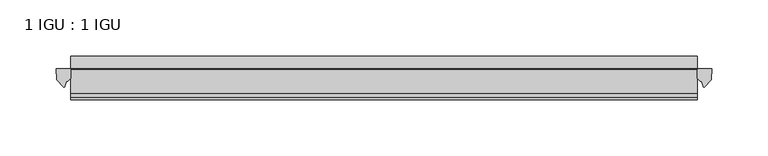
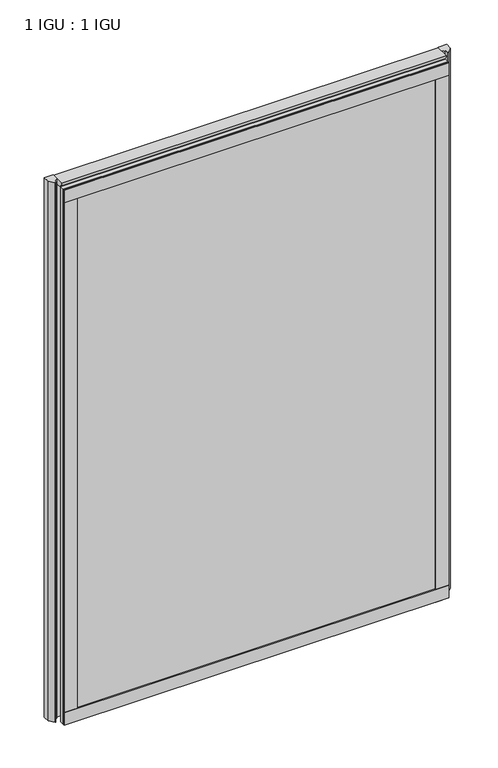
"""IFC4 building model written with IfcOpenShell, lengths in millimetres: plate geometry, 1 IGU : 1 IGU."""

from ifc_helpers import new_model, si_unit, point, frame, frame_2d, origin, place, context, project, spatial, polyline, circle_curve, ellipse_curve, trimmed, segment, composite_curve, outline, extrude, source, transform, mapped, element, save
from ifc_brep_helpers import plane_surface, cylinder_surface, revolved_surface, extruded_surface, advanced_brep


def plate_1_igu_1_igu_0b547102(model_context):
    return source(origin(), model_context, "Body", "SolidModel", [
        extrude(outline(polyline([(278.8921925, -11.6085937), (278.8921925, -18.8576359), (-278.8921925, -18.8576359), (-278.8921925, -11.6085937), (278.8921925, -11.6085937)])), frame((0.0, 0.0, -19.05), z_axis=(0.0, 0.0, 1.0), x_axis=(1.0, 0.0, 0.0)), (0.0, 0.0, 1.0), 819.1500001),
        extrude(outline(polyline([(-278.8921925, -30.7093937), (278.8921925, -30.7093937), (278.8921925, -37.0085937), (-278.8921925, -37.0085937), (-278.8921925, -30.7093937)])), frame((0.0, 0.0, -19.05), z_axis=(0.0, 0.0, 1.0), x_axis=(1.0, 0.0, 0.0)), (0.0, 0.0, 1.0), 819.1500001),
        extrude(outline(composite_curve([segment(polyline([(291.9701017, -11.6101465), (291.5921925, -21.3502133), (285.6541393, -27.6095865)]), True, "CONTINUOUS"), segment(trimmed(circle_curve(frame_2d((284.9813332, -27.2518492)), 0.762), [point((285.6541393, -27.6095865))], [point((284.252629, -27.4746364))], False, "CARTESIAN"), True, "CONTINUOUS"), segment(polyline([(284.252629, -27.4746364), (282.9907944, -23.3488397)]), True, "CONTINUOUS"), segment(trimmed(circle_curve(frame_2d((285.1727516, -16.3834724)), 7.2991286), [point((282.9907944, -23.3488397))], [point((278.8923711, -20.1028944))], False, "CARTESIAN"), True, "CONTINUOUS"), segment(polyline([(278.8923711, -20.1028944), (278.8923711, -12.664425)]), True, "CONTINUOUS"), segment(trimmed(circle_curve(frame_2d((285.1736256, -16.3827796)), 7.2993369), [point((278.8923711, -12.664425))], [point((279.6507375, -11.6101465))], False, "CARTESIAN"), True, "CONTINUOUS"), segment(polyline([(279.6507375, -11.6101465), (291.9701017, -11.6101465)]), True, "CONTINUOUS")], self_intersect=False)), frame((0.0, 0.0, -19.05), z_axis=(0.0, 0.0, 1.0), x_axis=(1.0, 0.0, 0.0)), (0.0, 0.0, 1.0), 826.2874001),
        extrude(outline(composite_curve([segment(polyline([(-278.8921925, -11.610702), (-278.8921925, -20.1014769)]), True, "CONTINUOUS"), segment(trimmed(circle_curve(frame_2d((-285.1733869, -16.3829847)), 7.2993552), [point((-278.8921925, -20.1014769))], [point((-282.9911423, -23.3484994))], False, "CARTESIAN"), True, "CONTINUOUS"), segment(polyline([(-282.9911423, -23.3484994), (-284.252629, -27.4746364)]), True, "CONTINUOUS"), segment(trimmed(circle_curve(frame_2d((-284.9813332, -27.2518492)), 0.762), [point((-284.252629, -27.4746364))], [point((-285.6541393, -27.6095865))], False, "CARTESIAN"), True, "CONTINUOUS"), segment(polyline([(-285.6541393, -27.6095865), (-291.5921925, -21.3502133), (-291.9701017, -11.610702), (-278.8921925, -11.610702)]), True, "CONTINUOUS")], self_intersect=False)), frame((0.0, 0.0, -19.05), z_axis=(0.0, 0.0, 1.0), x_axis=(1.0, 0.0, 0.0)), (0.0, 0.0, 1.0), 826.2874001),
        extrude(outline(polyline([(-11.6085937, -15.24), (-11.6085937, 2.8161565), (-0.5298609, 1.2591422), (-0.5298609, -0.6645794), (-5.258589, 0.0), (-5.258589, -4.826), (-1.575589, -4.826), (-1.575589, -7.874), (-5.258589, -7.874), (-5.258589, -13.208), (-3.099589, -13.208), (-3.099589, -15.24), (-11.6085937, -15.24)])), frame((-278.8921925, 0.0, 0.0), z_axis=(1.0, 0.0, 0.0), x_axis=(0.0, 1.0, 0.0)), (0.0, 0.0, 1.0), 557.7843851),
        extrude(outline(polyline([(-278.8921925, -39.2945937), (-278.8921925, -37.0085937), (278.8921925, -37.0085937), (278.8921925, -39.2945937), (-278.8921925, -39.2945937)])), frame((0.0, 0.0, -19.05), z_axis=(0.0, 0.0, 1.0), x_axis=(1.0, 0.0, 0.0)), (0.0, 0.0, 1.0), 19.05),
        advanced_brep(
        [(-278.8921925, -24.3085937, 798.9276629), (-278.8921925, -33.4116395, 807.2374001), (-278.8921925, -12.7165288, 807.2374001), (-278.8921925, -11.6085937, 800.1000001), (-278.8921925, -17.9077937, 800.1000001), (278.8921925, -24.3085937, 798.9276629), (278.8921925, -17.9077937, 800.1000001), (278.8921925, -11.6085937, 800.1000001), (278.8921925, -12.7165288, 807.2374001), (278.8921925, -33.4116395, 807.2374001)],
        [
            (0, 1, ellipse_curve(frame((-278.8921925, -24.3085937, 809.6250001), z_axis=(-1.0, 0.0, 0.0), x_axis=(0.0, 0.0, -1.0)), 10.6973372, 9.3386252)),
            (1, 2),
            (2, 3, circle_curve(frame((-278.8921925, 26.2083666, 809.6250001), z_axis=(1.0, 0.0, 0.0), x_axis=(0.0, 0.0, -1.0)), 38.9980527)),
            (3, 4),
            (4, 0, circle_curve(frame((-278.8921925, -24.3085937, 816.9875764), z_axis=(-1.0, 0.0, 0.0), x_axis=(0.0, 0.0, -1.0)), 18.0599135)),
            (5, 6, circle_curve(frame((278.8921925, -24.3085937, 816.9875764), z_axis=(1.0, 0.0, 0.0), x_axis=(0.0, 0.0, -1.0)), 18.0599135)),
            (6, 7),
            (7, 8, circle_curve(frame((278.8921925, 26.2083666, 809.6250001), z_axis=(-1.0, 0.0, 0.0), x_axis=(0.0, 0.0, -1.0)), 38.9980527)),
            (8, 9),
            (9, 5, ellipse_curve(frame((278.8921925, -24.3085937, 809.6250001), z_axis=(1.0, 0.0, 0.0), x_axis=(0.0, 0.0, -1.0)), 10.6973372, 9.3386252)),
            (0, 5),
            (9, 1),
            (8, 2),
            (7, 3),
            (6, 4),
        ],
        [
            plane_surface(frame((-278.8921925, -9.2273437, 809.6250001), z_axis=(-1.0, 0.0, 0.0), x_axis=(0.0, 1.0, 0.0))),
            plane_surface(frame((278.8921925, -9.2273438, 809.6250001), z_axis=(1.0, 0.0, 0.0), x_axis=(0.0, 1.0, 0.0))),
            extruded_surface(trimmed(ellipse_curve(frame((278.8921925, -24.3085937, 809.6250001), z_axis=(-1.0, 0.0, 0.0), x_axis=(0.0, 0.0, -1.0)), 10.6973372, 9.3386252), [point((278.8921925, -24.3085937, 798.9276629))], [point((278.8921925, -33.4116395, 807.2374001))], True, "CARTESIAN"), (-557.784385, 0.0, 0.0), 557.784385),
            plane_surface(frame((-278.8921925, -33.4116395, 807.2374001), z_axis=(0.0, 0.0, 1.0), x_axis=(1.0, 0.0, 0.0))),
            revolved_surface(polyline([(278.8921925, 26.2083666, 770.6269474), (-278.8921925, 26.2083666, 770.6269474)]), (-278.8921925, 26.2083666, 809.6250001), (1.0, 0.0, 0.0)),
            plane_surface(frame((-278.8921925, -11.6085937, 800.1000001), z_axis=(0.0, 0.0, -1.0), x_axis=(1.0, 0.0, 0.0))),
            cylinder_surface(frame((-278.8921925, -24.3085937, 816.9875764), z_axis=(-1.0, 0.0, 0.0), x_axis=(0.0, 0.0, -1.0)), 18.0599135),
        ],
        [
            (0, [[1, 2, 3, 4, 5]]),
            (1, [[6, 7, 8, 9, 10]]),
            (2, [[-1, 11, -10, 12]]),
            (3, [[-2, -12, -9, 13]]),
            (4, [[-3, -13, -8, 14]]),
            (5, [[-4, -14, -7, 15]]),
            (6, [[-5, -15, -6, -11]]),
        ],
    ),
        extrude(outline(polyline([(-278.8921925, -39.2945937), (-278.8921925, -37.0085937), (278.8921925, -37.0085937), (278.8921925, -39.2945937), (-278.8921925, -39.2945937)])), frame((0.0, 0.0, 781.0500001), z_axis=(0.0, 0.0, 1.0), x_axis=(1.0, 0.0, 0.0)), (0.0, 0.0, 1.0), 19.05),
        extrude(outline(polyline([(259.8421925, -37.0085937), (278.8921925, -37.0085937), (278.8921925, -39.2945938), (259.8421925, -39.2945938), (259.8421925, -37.0085937)])), frame((0.0, 0.0, -19.05), z_axis=(0.0, 0.0, 1.0), x_axis=(1.0, 0.0, 0.0)), (0.0, 0.0, 1.0), 819.1500001),
        extrude(outline(polyline([(-278.8921925, -39.2945937), (-278.8921925, -37.0085937), (-259.8421925, -37.0085937), (-259.8421925, -39.2945937), (-278.8921925, -39.2945937)])), frame((0.0, 0.0, -19.05), z_axis=(0.0, 0.0, 1.0), x_axis=(1.0, 0.0, 0.0)), (0.0, 0.0, 1.0), 819.1500001),
    ])


if __name__ == "__main__":
    model = new_model("IFC4")
    model_context = context("Model", 3, world=origin())
    ifc_project = project(units=[si_unit("LENGTHUNIT", "METRE", prefix="MILLI")], contexts=[model_context])
    site = spatial("IfcSite", under=ifc_project)
    building = spatial("IfcBuilding", under=site)
    placement = place(None, origin())
    plate_1_igu_1_igu_shape = plate_1_igu_1_igu_0b547102(model_context)
    element("IfcPlate", 1, ObjectType="1 IGU : 1 IGU", at=placement, inside=building, context=model_context, shape_type="MappedRepresentation", body=[
        mapped(plate_1_igu_1_igu_shape, transform((0.0, 0.0, 0.0), x_axis=(1.0, 0.0, 0.0), y_axis=(0.0, 1.0, 0.0), z_axis=(0.0, 0.0, 1.0))),
    ])
    save(model, "model.ifc")
